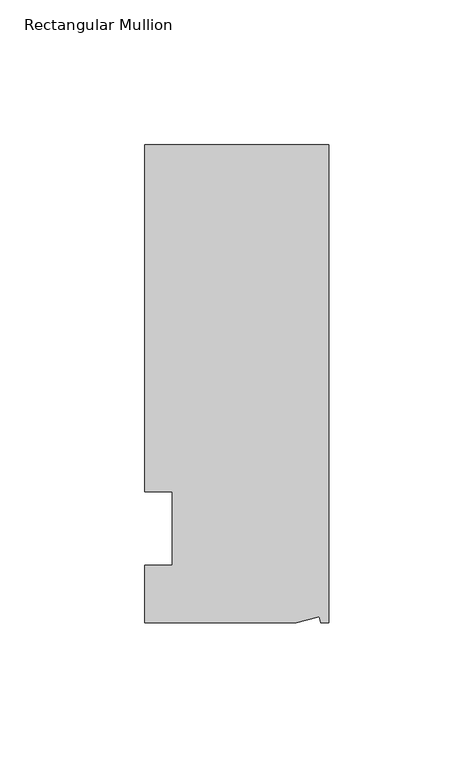
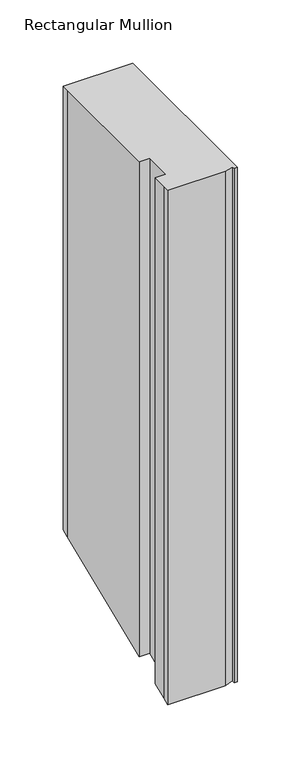
"""IFC4 building model written with IfcOpenShell, lengths in millimetres: member geometry, Rectangular Mullion."""

from ifc_helpers import new_model, si_unit, origin, place, context, project, spatial, faceted_brep, source, transform, mapped, element, save


def rectangular_mullion_5446133f(model_context):
    return source(origin(), model_context, "Body", "Brep", [
        faceted_brep([(0.0, 132.5561012, 0.0), (-63.5, 132.5561012, 0.0), (-63.5, 126.2061012, 0.0), (-63.5, 12.8054199, 0.0), (-53.975, 12.8054199, 0.0), (-53.975, -12.5945801, 0.0), (-63.5, -12.5945801, 0.0), (-63.5, -26.1938988, 0.0), (-63.5, -32.5438988, 0.0), (-11.121847, -32.5438988, 0.0), (-3.3341886, -30.4622958, 0.0), (-2.7616541, -32.5438988, 0.0), (0.0, -32.5438988, 0.0), (0.0, 132.5561012, -427.6934651), (-63.5, 132.5561012, -427.6934651), (-63.5, 126.2061012, -430.3237212), (-63.5, 12.8054199, -477.2958214), (-53.975, 12.8054199, -477.2958214), (-53.975, -12.5945801, -487.8168459), (-63.5, -12.5945801, -487.8168459), (-63.5, -26.1938988, -493.4498681), (-63.5, -32.5438988, -496.0801243), (-11.121847, -32.5438988, -496.0801243), (-3.3341886, -30.4622958, -495.217896), (-2.7616541, -32.5438988, -496.0801243), (0.0, -32.5438988, -496.0801243)], [[[0, 1, 2, 3, 4, 5, 6, 7, 8, 9, 10, 11, 12]], [[1, 0, 13, 14]], [[2, 1, 14, 15]], [[3, 2, 15, 16]], [[4, 3, 16, 17]], [[5, 4, 17, 18]], [[6, 5, 18, 19]], [[7, 6, 19, 20]], [[8, 7, 20, 21]], [[9, 8, 21, 22]], [[10, 9, 22, 23]], [[11, 10, 23, 24]], [[12, 11, 24, 25]], [[0, 12, 25, 13]], [[13, 25, 24, 23, 22, 21, 20, 19, 18, 17, 16, 15, 14]]]),
    ])


if __name__ == "__main__":
    model = new_model("IFC4")
    model_context = context("Model", 3, world=origin())
    ifc_project = project(units=[si_unit("LENGTHUNIT", "METRE", prefix="MILLI")], contexts=[model_context])
    site = spatial("IfcSite", under=ifc_project)
    building = spatial("IfcBuilding", under=site)
    placement = place(None, origin())
    rectangular_mullion_shape = rectangular_mullion_5446133f(model_context)
    element("IfcMember", 1, ObjectType="Rectangular Mullion", at=placement, inside=building, context=model_context, shape_type="MappedRepresentation", body=[
        mapped(rectangular_mullion_shape, transform((0.0, 0.0, 0.0), x_axis=(1.0, 0.0, 0.0), y_axis=(0.0, 1.0, 0.0), z_axis=(0.0, 0.0, 1.0))),
    ])
    save(model, "model.ifc")
